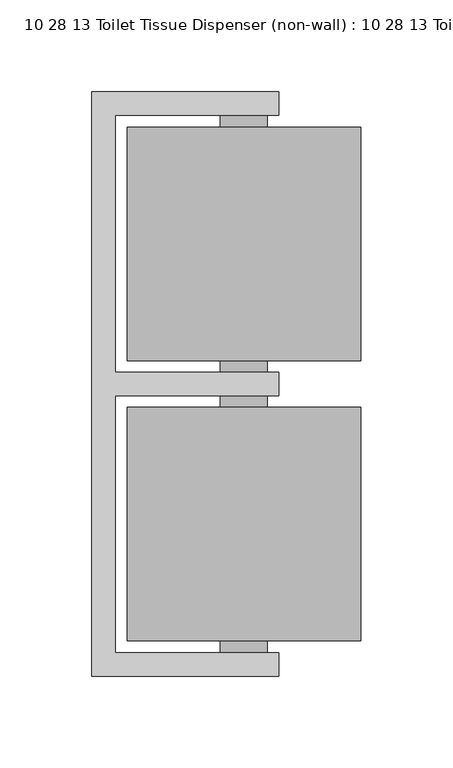
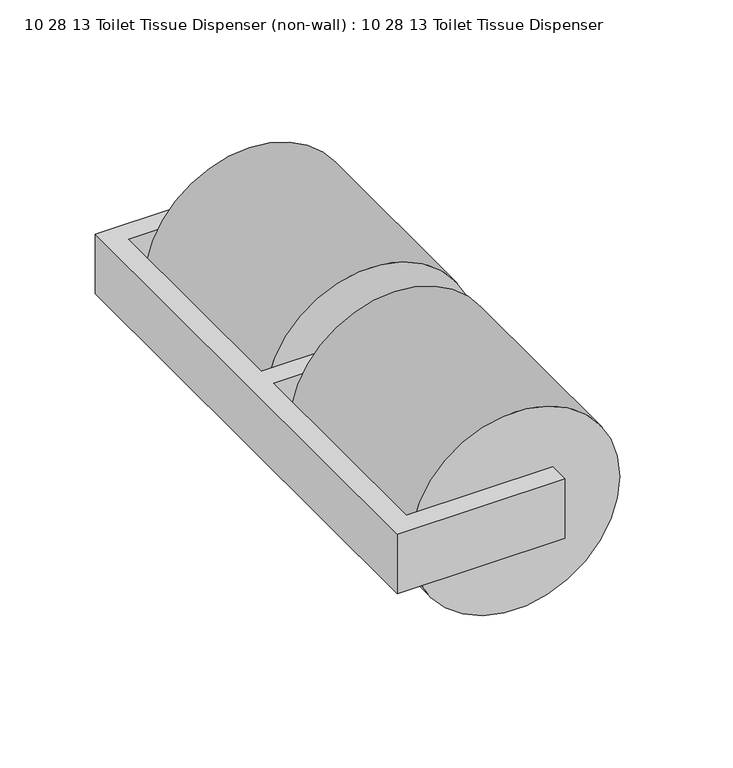
"""IFC4 building model written with IfcOpenShell, lengths in millimetres: proxy geometry, 10 28 13 Toilet Tissue Dispenser (non-wall) : 10 28 13 Toilet Tissue Dispenser."""

from ifc_helpers import new_model, si_unit, point, frame, frame_2d, origin, place, context, project, spatial, polyline, circle_curve, trimmed, segment, composite_curve, outline, extrude, source, transform, mapped, element, save


def proxy_10_28_13_toilet_tissue_dispenser_non_wall_10_28_13_05148030(model_context):
    return source(origin(), model_context, "Body", "SweptSolid", [
        extrude(outline(composite_curve([segment(trimmed(circle_curve(frame_2d((-6.35, 82.55)), 63.5), [point((-6.35, 146.05))], [point((-6.35, 19.05))], False, "CARTESIAN"), True, "CONTINUOUS"), segment(trimmed(circle_curve(frame_2d((-6.35, 82.55)), 63.5), [point((-6.35, 19.05))], [point((-6.35, 146.05))], False, "CARTESIAN"), True, "CONTINUOUS")], self_intersect=False), holes=[composite_curve([segment(trimmed(circle_curve(frame_2d((-6.35, 82.55)), 19.05), [point((-6.35, 101.6))], [point((-6.35, 63.5))], True, "CARTESIAN"), True, "CONTINUOUS"), segment(trimmed(circle_curve(frame_2d((-6.35, 82.55)), 19.05), [point((-6.35, 63.5))], [point((-6.35, 101.6))], True, "CARTESIAN"), True, "CONTINUOUS")], self_intersect=False)]), frame((0.0, -139.7, 0.0), z_axis=(0.0, 1.0, 0.0), x_axis=(0.0, 0.0, 1.0)), (0.0, 0.0, 1.0), 127.0),
        extrude(outline(composite_curve([segment(trimmed(circle_curve(frame_2d((-6.35, 82.55)), 63.5), [point((-6.35, 146.05))], [point((-6.35, 19.05))], False, "CARTESIAN"), True, "CONTINUOUS"), segment(trimmed(circle_curve(frame_2d((-6.35, 82.55)), 63.5), [point((-6.35, 19.05))], [point((-6.35, 146.05))], False, "CARTESIAN"), True, "CONTINUOUS")], self_intersect=False), holes=[composite_curve([segment(trimmed(circle_curve(frame_2d((-6.35, 82.55)), 19.05), [point((-6.35, 101.6))], [point((-6.35, 63.5))], True, "CARTESIAN"), True, "CONTINUOUS"), segment(trimmed(circle_curve(frame_2d((-6.35, 82.55)), 19.05), [point((-6.35, 63.5))], [point((-6.35, 101.6))], True, "CARTESIAN"), True, "CONTINUOUS")], self_intersect=False)]), frame((0.0, 12.7, 0.0), z_axis=(0.0, 1.0, 0.0), x_axis=(0.0, 0.0, 1.0)), (0.0, 0.0, 1.0), 127.0),
        extrude(outline(composite_curve([segment(trimmed(circle_curve(frame_2d((0.0, 82.55)), 12.7), [point((0.0, 95.25))], [point((0.0, 69.85))], False, "CARTESIAN"), True, "CONTINUOUS"), segment(trimmed(circle_curve(frame_2d((0.0, 82.55)), 12.7), [point((0.0, 69.85))], [point((0.0, 95.25))], False, "CARTESIAN"), True, "CONTINUOUS")], self_intersect=False)), frame((0.0, 6.35, 0.0), z_axis=(0.0, 1.0, 0.0), x_axis=(0.0, 0.0, 1.0)), (0.0, 0.0, 1.0), 139.7),
        extrude(outline(composite_curve([segment(trimmed(circle_curve(frame_2d((0.0, 82.55)), 12.7), [point((0.0, 95.25))], [point((0.0, 69.85))], False, "CARTESIAN"), True, "CONTINUOUS"), segment(trimmed(circle_curve(frame_2d((0.0, 82.55)), 12.7), [point((0.0, 69.85))], [point((0.0, 95.25))], False, "CARTESIAN"), True, "CONTINUOUS")], self_intersect=False)), frame((0.0, -146.05, 0.0), z_axis=(0.0, 1.0, 0.0), x_axis=(0.0, 0.0, 1.0)), (0.0, 0.0, 1.0), 139.7),
        extrude(outline(polyline([(101.6, 158.75), (101.6, 146.05), (12.7, 146.05), (12.7, 6.35), (101.6, 6.35), (101.6, -6.35), (12.7, -6.35), (12.7, -146.05), (101.6, -146.05), (101.6, -158.75), (0.0, -158.75), (0.0, 158.75), (101.6, 158.75)])), frame((0.0, 0.0, -19.05), z_axis=(0.0, 0.0, 1.0), x_axis=(1.0, 0.0, 0.0)), (0.0, 0.0, 1.0), 38.1),
    ])


if __name__ == "__main__":
    model = new_model("IFC4")
    model_context = context("Model", 3, world=origin())
    ifc_project = project(units=[si_unit("LENGTHUNIT", "METRE", prefix="MILLI")], contexts=[model_context])
    site = spatial("IfcSite", under=ifc_project)
    building = spatial("IfcBuilding", under=site)
    placement = place(None, origin())
    proxy_10_28_13_toilet_tissue_dispenser_non_wall_10_28_13_shape = proxy_10_28_13_toilet_tissue_dispenser_non_wall_10_28_13_05148030(model_context)
    element("IfcBuildingElementProxy", 1, Name="10 28 13 Toilet Tissue Dispenser (non-wall) : 10 28 13 Toilet Tissue Dispenser", ObjectType="10 28 13 Toilet Tissue Dispenser (non-wall) : 10 28 13 Toilet Tissue Dispenser", at=placement, inside=building, context=model_context, shape_type="MappedRepresentation", body=[
        mapped(proxy_10_28_13_toilet_tissue_dispenser_non_wall_10_28_13_shape, transform((0.0, 0.0, 0.0), x_axis=(1.0, 0.0, 0.0), y_axis=(0.0, 1.0, 0.0), z_axis=(0.0, 0.0, 1.0))),
    ])
    save(model, "model.ifc")
